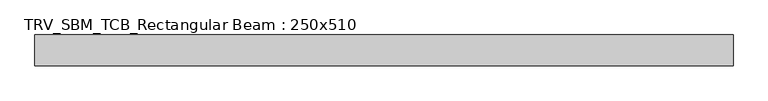
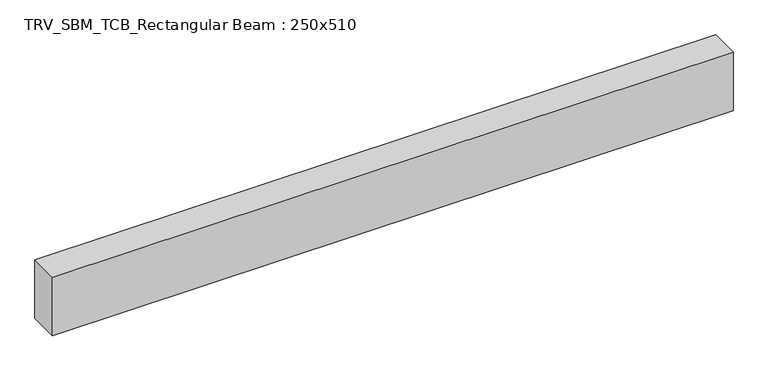
"""IFC4 building model written with IfcOpenShell, lengths in millimetres: beam geometry, TRV_SBM_TCB_Rectangular Beam : 250x510."""

from ifc_helpers import new_model, si_unit, frame, origin, place, context, project, spatial, polyline, outline, extrude, source, transform, mapped, element, save


def trv_sbm_tcb_rectangular_beam_250x510_6574e443(model_context):
    return source(origin(), model_context, "Body", "SweptSolid", [
        extrude(outline(polyline([(2810.7, 125.0), (2810.7, -125.0), (-2810.7, -125.0), (-2810.7, 125.0), (2810.7, 125.0)])), frame((0.0, 0.0, -255.0), z_axis=(0.0, 0.0, 1.0), x_axis=(1.0, 0.0, 0.0)), (0.0, 0.0, 1.0), 510.0),
    ])


if __name__ == "__main__":
    model = new_model("IFC4")
    model_context = context("Model", 3, world=origin())
    ifc_project = project(units=[si_unit("LENGTHUNIT", "METRE", prefix="MILLI")], contexts=[model_context])
    site = spatial("IfcSite", under=ifc_project)
    building = spatial("IfcBuilding", under=site)
    placement = place(None, origin())
    trv_sbm_tcb_rectangular_beam_250x510_shape = trv_sbm_tcb_rectangular_beam_250x510_6574e443(model_context)
    element("IfcBeam", 1, ObjectType="TRV_SBM_TCB_Rectangular Beam : 250x510", at=placement, inside=building, context=model_context, shape_type="MappedRepresentation", body=[
        mapped(trv_sbm_tcb_rectangular_beam_250x510_shape, transform((0.0, 0.0, 0.0), x_axis=(1.0, 0.0, 0.0), y_axis=(0.0, 1.0, 0.0), z_axis=(0.0, 0.0, 1.0))),
    ])
    save(model, "model.ifc")
